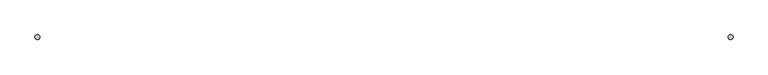
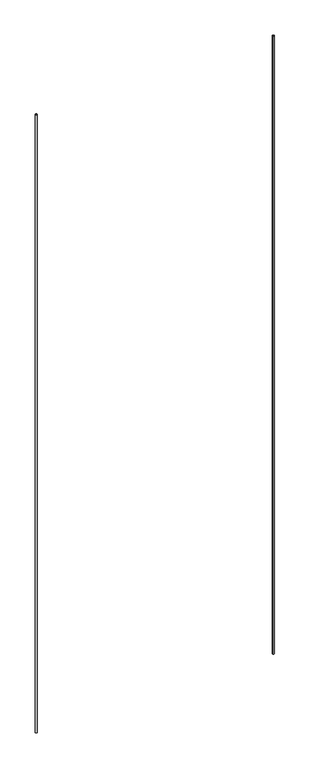
"""IFC4 building model written with IfcOpenShell, lengths in millimetres: flow terminal geometry."""

from ifc_helpers import new_model, si_unit, point, frame_2d, origin, origin_with_axes, place, context, project, spatial, circle_curve, trimmed, segment, composite_curve, outline, extrude, source, transform, mapped, element, save


def flow_terminal_684ad357(model_context):
    return source(origin(), model_context, "Body", "SweptSolid", [
        extrude(outline(composite_curve([segment(trimmed(circle_curve(frame_2d((3150.720737, -2155.7022443)), 50.0), [point((3100.720737, -2155.7022443))], [point((3200.720737, -2155.7022443))], False, "CARTESIAN"), True, "CONTINUOUS"), segment(trimmed(circle_curve(frame_2d((3150.720737, -2155.7022443)), 50.0), [point((3200.720737, -2155.7022443))], [point((3100.720737, -2155.7022443))], False, "CARTESIAN"), True, "CONTINUOUS")], self_intersect=False)), origin_with_axes(), (0.0, 0.0, 1.0), 38760.0612787),
        extrude(outline(composite_curve([segment(trimmed(circle_curve(frame_2d((17249.279263, -2155.7022443)), 50.0), [point((17299.279263, -2155.7022443))], [point((17199.279263, -2155.7022443))], False, "CARTESIAN"), True, "CONTINUOUS"), segment(trimmed(circle_curve(frame_2d((17249.279263, -2155.7022443)), 50.0), [point((17199.279263, -2155.7022443))], [point((17299.279263, -2155.7022443))], False, "CARTESIAN"), True, "CONTINUOUS")], self_intersect=False)), origin_with_axes(), (0.0, 0.0, 1.0), 38766.1557822),
    ])


if __name__ == "__main__":
    model = new_model("IFC4")
    model_context = context("Model", 3, world=origin())
    ifc_project = project(units=[si_unit("LENGTHUNIT", "METRE", prefix="MILLI")], contexts=[model_context])
    site = spatial("IfcSite", under=ifc_project)
    building = spatial("IfcBuilding", under=site)
    placement = place(None, origin())
    flow_terminal_shape = flow_terminal_684ad357(model_context)
    element("IfcFlowTerminal", 1, at=placement, inside=building, context=model_context, shape_type="MappedRepresentation", body=[
        mapped(flow_terminal_shape, transform((0.0, 0.0, 0.0), x_axis=(1.0, 0.0, 0.0), y_axis=(0.0, 1.0, 0.0), z_axis=(0.0, 0.0, 1.0))),
    ])
    save(model, "model.ifc")
